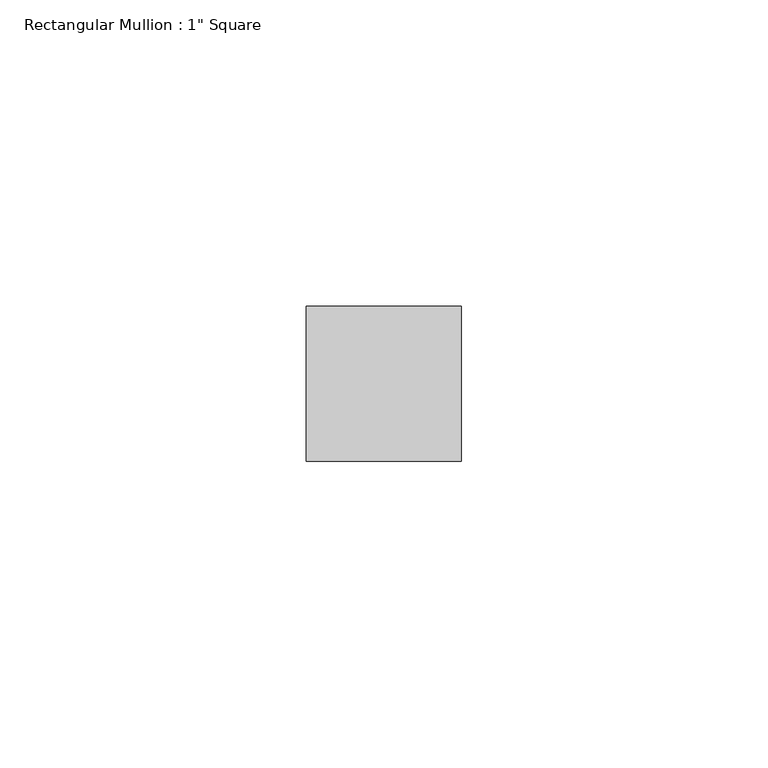
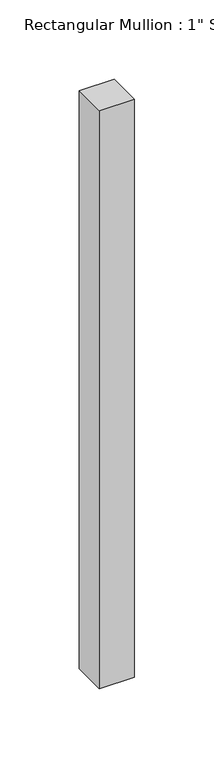
"""IFC4 building model written with IfcOpenShell, lengths in millimetres: member geometry."""

from ifc_helpers import new_model, si_unit, frame, origin, place, context, project, spatial, polyline, outline, extrude, source, transform, mapped, element, save


def member_158a8462(model_context):
    return source(origin(), model_context, "Body", "SweptSolid", [
        extrude(outline(polyline([(0.0, 12.7), (0.0, -12.7), (-25.4, -12.7), (-25.4, 12.7), (0.0, 12.7)])), frame((0.0, 0.0, -444.5), z_axis=(0.0, 0.0, 1.0), x_axis=(1.0, 0.0, 0.0)), (0.0, 0.0, 1.0), 444.5),
    ])


if __name__ == "__main__":
    model = new_model("IFC4")
    model_context = context("Model", 3, world=origin())
    ifc_project = project(units=[si_unit("LENGTHUNIT", "METRE", prefix="MILLI")], contexts=[model_context])
    site = spatial("IfcSite", under=ifc_project)
    building = spatial("IfcBuilding", under=site)
    placement = place(None, origin())
    member_shape = member_158a8462(model_context)
    element("IfcMember", 1, ObjectType="Rectangular Mullion : 1\" Square", at=placement, inside=building, context=model_context, shape_type="MappedRepresentation", body=[
        mapped(member_shape, transform((0.0, 0.0, 0.0), x_axis=(1.0, 0.0, 0.0), y_axis=(0.0, 1.0, 0.0), z_axis=(0.0, 0.0, 1.0))),
    ])
    save(model, "model.ifc")
